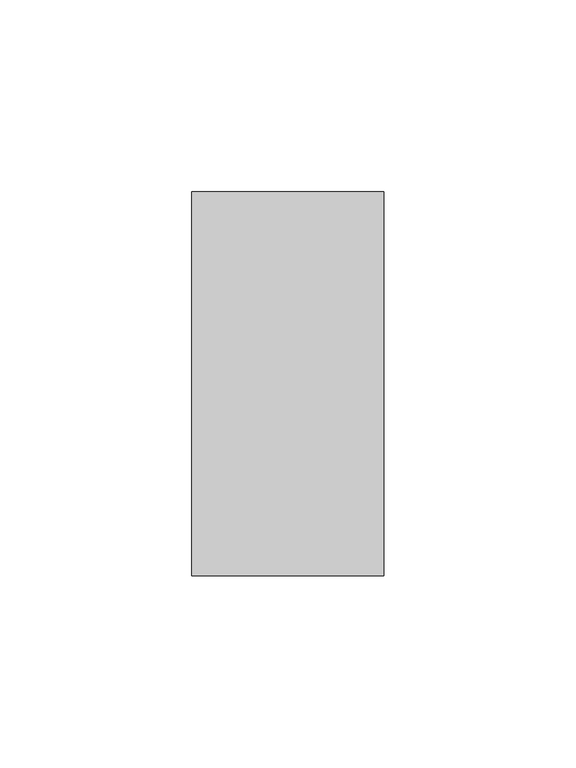
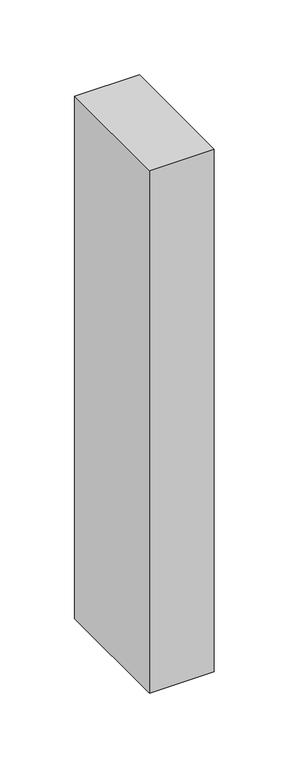
"""IFC4 building model written with IfcOpenShell, lengths in millimetres: member geometry."""

from ifc_helpers import new_model, si_unit, frame, origin, place, context, project, spatial, polyline, outline, extrude, source, transform, mapped, element, save


def member_64973ae1(model_context):
    return source(origin(), model_context, "Body", "SweptSolid", [
        extrude(outline(polyline([(25.0, 50.0), (25.0, -50.0), (-25.0, -50.0), (-25.0, 50.0), (25.0, 50.0)])), frame((0.0, 0.0, -426.6624409), z_axis=(0.0, 0.0, 1.0), x_axis=(1.0, 0.0, 0.0)), (0.0, 0.0, 1.0), 426.6624409),
    ])


if __name__ == "__main__":
    model = new_model("IFC4")
    model_context = context("Model", 3, world=origin())
    ifc_project = project(units=[si_unit("LENGTHUNIT", "METRE", prefix="MILLI")], contexts=[model_context])
    site = spatial("IfcSite", under=ifc_project)
    building = spatial("IfcBuilding", under=site)
    placement = place(None, origin())
    member_shape = member_64973ae1(model_context)
    element("IfcMember", 1, at=placement, inside=building, context=model_context, shape_type="MappedRepresentation", body=[
        mapped(member_shape, transform((0.0, 0.0, 0.0), x_axis=(1.0, 0.0, 0.0), y_axis=(0.0, 1.0, 0.0), z_axis=(0.0, 0.0, 1.0))),
    ])
    save(model, "model.ifc")
